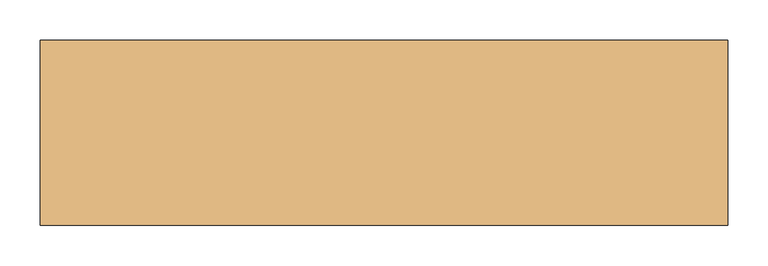
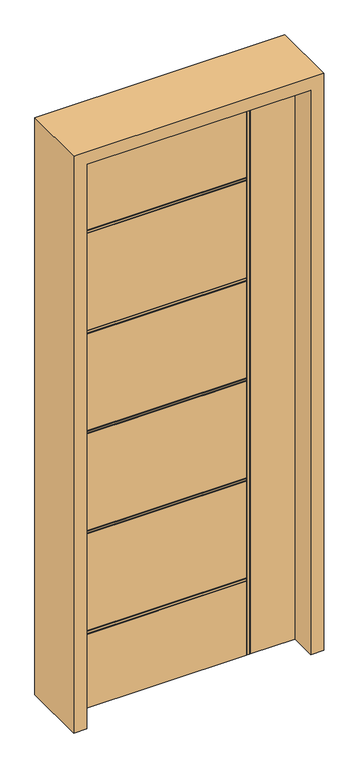
"""IFC4 building model written with IfcOpenShell, lengths in millimetres: door geometry."""

from ifc_helpers import new_model, si_unit, frame, origin, place, context, project, spatial, polyline, outline, extrude, faceted_brep, source, transform, mapped, element, save


def door_f674ddf7(model_context):
    return source(origin(), model_context, "Body", "SolidModel", [
        faceted_brep([(-381.0, 22.225, 0.0), (215.9, 22.225, 0.0), (215.9, 18.923, 0.0), (219.202, 18.923, 0.0), (219.202, 22.225, 0.0), (225.298, 22.225, 0.0), (225.298, 18.923, 0.0), (228.6, 18.923, 0.0), (228.6, 22.225, 0.0), (381.0, 22.225, 0.0), (381.0, -22.225, 0.0), (228.6, -22.225, 0.0), (228.6, -18.923, 0.0), (225.298, -18.923, 0.0), (225.298, -22.225, 0.0), (219.202, -22.225, 0.0), (219.202, -18.923, 0.0), (215.9, -18.923, 0.0), (215.9, -22.225, 0.0), (-381.0, -22.225, 0.0), (-381.0, 22.225, 2032.0), (-381.0, 22.225, 1719.838), (-381.0, 18.923, 1719.838), (-381.0, 18.923, 1716.536), (-381.0, 22.225, 1716.536), (-381.0, 22.225, 1710.44), (-381.0, 18.923, 1710.44), (-381.0, 18.923, 1707.138), (-381.0, 22.225, 1707.138), (-381.0, 22.225, 1359.412), (-381.0, 18.923, 1359.412), (-381.0, 18.923, 1356.11), (-381.0, 22.225, 1356.11), (-381.0, 22.225, 1350.014), (-381.0, 18.923, 1350.014), (-381.0, 18.923, 1346.712), (-381.0, 22.225, 1346.712), (-381.0, 22.225, 998.986), (-381.0, 18.923, 998.986), (-381.0, 18.923, 995.684), (-381.0, 22.225, 995.684), (-381.0, 22.225, 989.588), (-381.0, 18.923, 989.588), (-381.0, 18.923, 986.286), (-381.0, 22.225, 986.286), (-381.0, 22.225, 638.56), (-381.0, 18.923, 638.56), (-381.0, 18.923, 635.258), (-381.0, 22.225, 635.258), (-381.0, 22.225, 629.162), (-381.0, 18.923, 629.162), (-381.0, 18.923, 625.86), (-381.0, 22.225, 625.86), (-381.0, 22.225, 278.134), (-381.0, 18.923, 278.134), (-381.0, 18.923, 274.832), (-381.0, 22.225, 274.832), (-381.0, 22.225, 268.736), (-381.0, 18.923, 268.736), (-381.0, 18.923, 265.434), (-381.0, 22.225, 265.434), (-381.0, -22.225, 265.434), (-381.0, -18.923, 265.434), (-381.0, -18.923, 268.736), (-381.0, -22.225, 268.736), (-381.0, -22.225, 274.832), (-381.0, -18.923, 274.832), (-381.0, -18.923, 278.134), (-381.0, -22.225, 278.134), (-381.0, -22.225, 625.86), (-381.0, -18.923, 625.86), (-381.0, -18.923, 629.162), (-381.0, -22.225, 629.162), (-381.0, -22.225, 635.258), (-381.0, -18.923, 635.258), (-381.0, -18.923, 638.56), (-381.0, -22.225, 638.56), (-381.0, -22.225, 986.286), (-381.0, -18.923, 986.286), (-381.0, -18.923, 989.588), (-381.0, -22.225, 989.588), (-381.0, -22.225, 995.684), (-381.0, -18.923, 995.684), (-381.0, -18.923, 998.986), (-381.0, -22.225, 998.986), (-381.0, -22.225, 1346.712), (-381.0, -18.923, 1346.712), (-381.0, -18.923, 1350.014), (-381.0, -22.225, 1350.014), (-381.0, -22.225, 1356.11), (-381.0, -18.923, 1356.11), (-381.0, -18.923, 1359.412), (-381.0, -22.225, 1359.412), (-381.0, -22.225, 1707.138), (-381.0, -18.923, 1707.138), (-381.0, -18.923, 1710.44), (-381.0, -22.225, 1710.44), (-381.0, -22.225, 1716.536), (-381.0, -18.923, 1716.536), (-381.0, -18.923, 1719.838), (-381.0, -22.225, 1719.838), (-381.0, -22.225, 2032.0), (215.9, -22.225, 1719.838), (215.9, -22.225, 2032.0), (215.9, -22.225, 265.434), (215.9, -22.225, 998.986), (215.9, -22.225, 1346.712), (215.9, -22.225, 989.588), (215.9, -22.225, 995.684), (215.9, -22.225, 638.56), (215.9, -22.225, 986.286), (215.9, -22.225, 629.162), (215.9, -22.225, 635.258), (215.9, -22.225, 278.134), (215.9, -22.225, 625.86), (215.9, -22.225, 268.736), (215.9, -22.225, 274.832), (219.202, -22.225, 2032.0), (225.298, -22.225, 2032.0), (215.9, -22.225, 1710.44), (215.9, -22.225, 1716.536), (215.9, -22.225, 1350.014), (215.9, -22.225, 1356.11), (215.9, -22.225, 1359.412), (215.9, -22.225, 1707.138), (381.0, -22.225, 2032.0), (228.6, -22.225, 2032.0), (381.0, 22.225, 2032.0), (228.6, 22.225, 2032.0), (215.9, 22.225, 265.434), (215.9, 22.225, 274.832), (215.9, 22.225, 268.736), (215.9, 22.225, 625.86), (215.9, 22.225, 278.134), (215.9, 22.225, 635.258), (215.9, 22.225, 629.162), (215.9, 22.225, 986.286), (215.9, 22.225, 638.56), (215.9, 22.225, 995.684), (215.9, 22.225, 989.588), (215.9, 22.225, 1346.712), (215.9, 22.225, 998.986), (215.9, 22.225, 2032.0), (215.9, 22.225, 1719.838), (225.298, 22.225, 2032.0), (219.202, 22.225, 2032.0), (215.9, 22.225, 1716.536), (215.9, 22.225, 1710.44), (215.9, 22.225, 1356.11), (215.9, 22.225, 1350.014), (215.9, 22.225, 1707.138), (215.9, 22.225, 1359.412), (228.6, 18.923, 2032.0), (225.298, 18.923, 2032.0), (219.202, 18.923, 2032.0), (215.9, 18.923, 2032.0), (215.9, -18.923, 2032.0), (219.202, -18.923, 2032.0), (225.298, -18.923, 2032.0), (228.6, -18.923, 2032.0), (215.9, -18.923, 265.434), (215.9, -18.923, 1719.838), (215.9, -18.923, 1716.536), (215.9, -18.923, 1710.44), (215.9, -18.923, 1707.138), (215.9, -18.923, 1359.412), (215.9, -18.923, 1356.11), (215.9, -18.923, 1350.014), (215.9, -18.923, 1346.712), (215.9, -18.923, 998.986), (215.9, -18.923, 995.684), (215.9, -18.923, 989.588), (215.9, -18.923, 986.286), (215.9, -18.923, 638.56), (215.9, -18.923, 635.258), (215.9, -18.923, 629.162), (215.9, -18.923, 625.86), (215.9, -18.923, 278.134), (215.9, -18.923, 274.832), (215.9, -18.923, 268.736), (215.9, 18.923, 265.434), (215.9, 18.923, 268.736), (215.9, 18.923, 274.832), (215.9, 18.923, 278.134), (215.9, 18.923, 625.86), (215.9, 18.923, 629.162), (215.9, 18.923, 635.258), (215.9, 18.923, 638.56), (215.9, 18.923, 986.286), (215.9, 18.923, 989.588), (215.9, 18.923, 995.684), (215.9, 18.923, 998.986), (215.9, 18.923, 1346.712), (215.9, 18.923, 1350.014), (215.9, 18.923, 1356.11), (215.9, 18.923, 1359.412), (215.9, 18.923, 1707.138), (215.9, 18.923, 1710.44), (215.9, 18.923, 1716.536), (215.9, 18.923, 1719.838)], [[[0, 1, 2, 3, 4, 5, 6, 7, 8, 9, 10, 11, 12, 13, 14, 15, 16, 17, 18, 19]], [[20, 21, 22, 23, 24, 25, 26, 27, 28, 29, 30, 31, 32, 33, 34, 35, 36, 37, 38, 39, 40, 41, 42, 43, 44, 45, 46, 47, 48, 49, 50, 51, 52, 53, 54, 55, 56, 57, 58, 59, 60, 0, 19, 61, 62, 63, 64, 65, 66, 67, 68, 69, 70, 71, 72, 73, 74, 75, 76, 77, 78, 79, 80, 81, 82, 83, 84, 85, 86, 87, 88, 89, 90, 91, 92, 93, 94, 95, 96, 97, 98, 99, 100, 101]], [[101, 100, 102, 103]], [[18, 104, 61, 19]], [[84, 105, 106, 85]], [[80, 107, 108, 81]], [[76, 109, 110, 77]], [[72, 111, 112, 73]], [[68, 113, 114, 69]], [[64, 115, 116, 65]], [[117, 15, 14, 118]], [[96, 119, 120, 97]], [[88, 121, 122, 89]], [[92, 123, 124, 93]], [[125, 126, 11, 10]], [[125, 10, 9, 127]], [[9, 8, 128, 127]], [[0, 60, 129, 1]], [[56, 130, 131, 57]], [[52, 132, 133, 53]], [[48, 134, 135, 49]], [[44, 136, 137, 45]], [[40, 138, 139, 41]], [[36, 140, 141, 37]], [[142, 143, 21, 20]], [[144, 5, 4, 145]], [[24, 146, 147, 25]], [[32, 148, 149, 33]], [[28, 150, 151, 29]], [[127, 128, 152, 153, 144, 145, 154, 155, 142, 20, 101, 103, 156, 157, 117, 118, 158, 159, 126, 125]], [[160, 104, 18, 17]], [[17, 16, 157, 156, 161, 99, 98, 162, 163, 95, 94, 164, 165, 91, 90, 166, 167, 87, 86, 168, 169, 83, 82, 170, 171, 79, 78, 172, 173, 75, 74, 174, 175, 71, 70, 176, 177, 67, 66, 178, 179, 63, 62, 160]], [[13, 12, 159, 158]], [[16, 15, 117, 157]], [[158, 118, 14, 13]], [[12, 11, 126, 159]], [[62, 61, 104, 160]], [[66, 65, 116, 178]], [[178, 116, 115, 179]], [[179, 115, 64, 63]], [[70, 69, 114, 176]], [[176, 114, 113, 177]], [[177, 113, 68, 67]], [[74, 73, 112, 174]], [[174, 112, 111, 175]], [[175, 111, 72, 71]], [[78, 77, 110, 172]], [[172, 110, 109, 173]], [[173, 109, 76, 75]], [[82, 81, 108, 170]], [[170, 108, 107, 171]], [[171, 107, 80, 79]], [[168, 106, 105, 169]], [[169, 105, 84, 83]], [[164, 124, 123, 165]], [[94, 93, 124, 164]], [[163, 119, 96, 95]], [[162, 120, 119, 163]], [[98, 97, 120, 162]], [[161, 102, 100, 99]], [[156, 103, 102, 161]], [[86, 85, 106, 168]], [[167, 121, 88, 87]], [[166, 122, 121, 167]], [[90, 89, 122, 166]], [[165, 123, 92, 91]], [[152, 128, 8, 7]], [[7, 6, 153, 152]], [[3, 2, 180, 59, 58, 181, 182, 55, 54, 183, 184, 51, 50, 185, 186, 47, 46, 187, 188, 43, 42, 189, 190, 39, 38, 191, 192, 35, 34, 193, 194, 31, 30, 195, 196, 27, 26, 197, 198, 23, 22, 199, 155, 154]], [[6, 5, 144, 153]], [[154, 145, 4, 3]], [[2, 1, 129, 180]], [[180, 129, 60, 59]], [[58, 57, 131, 181]], [[181, 131, 130, 182]], [[182, 130, 56, 55]], [[54, 53, 133, 183]], [[183, 133, 132, 184]], [[184, 132, 52, 51]], [[50, 49, 135, 185]], [[185, 135, 134, 186]], [[186, 134, 48, 47]], [[46, 45, 137, 187]], [[187, 137, 136, 188]], [[188, 136, 44, 43]], [[42, 41, 139, 189]], [[189, 139, 138, 190]], [[190, 138, 40, 39]], [[38, 37, 141, 191]], [[191, 141, 140, 192]], [[195, 151, 150, 196]], [[196, 150, 28, 27]], [[26, 25, 147, 197]], [[197, 147, 146, 198]], [[198, 146, 24, 23]], [[22, 21, 143, 199]], [[199, 143, 142, 155]], [[192, 140, 36, 35]], [[34, 33, 149, 193]], [[193, 149, 148, 194]], [[194, 148, 32, 31]], [[30, 29, 151, 195]]]),
        extrude(outline(polyline([(0.0, -381.0), (2032.0, -381.0), (2032.0, 381.0), (0.0, 381.0), (0.0, 425.45), (2076.45, 425.45), (2076.45, -425.45), (0.0, -425.45), (0.0, -381.0)])), frame((0.0, -114.3, 0.0), z_axis=(0.0, 1.0, 0.0), x_axis=(0.0, 0.0, 1.0)), (0.0, 0.0, 1.0), 228.6),
    ])


if __name__ == "__main__":
    model = new_model("IFC4")
    model_context = context("Model", 3, world=origin())
    ifc_project = project(units=[si_unit("LENGTHUNIT", "METRE", prefix="MILLI")], contexts=[model_context])
    site = spatial("IfcSite", under=ifc_project)
    building = spatial("IfcBuilding", under=site)
    placement = place(None, origin())
    door_shape = door_f674ddf7(model_context)
    element("IfcDoor", 1, at=placement, inside=building, context=model_context, shape_type="MappedRepresentation", body=[
        mapped(door_shape, transform((0.0, 0.0, 0.0), x_axis=(1.0, 0.0, 0.0), y_axis=(0.0, 1.0, 0.0), z_axis=(0.0, 0.0, 1.0))),
    ])
    save(model, "model.ifc")
